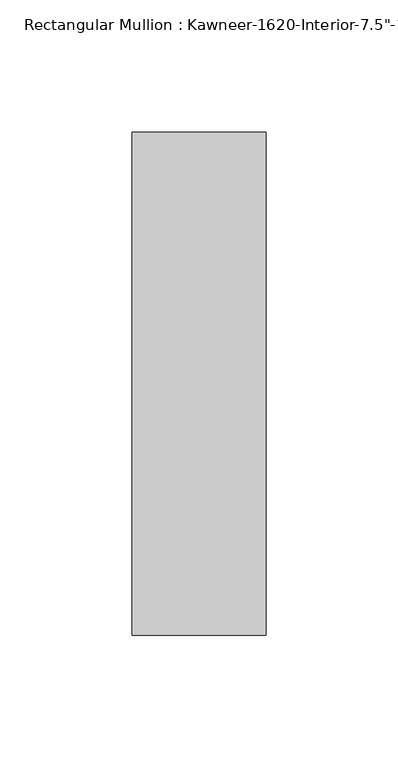
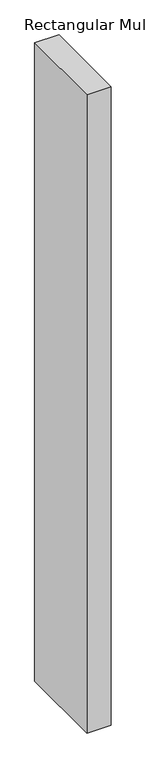
"""IFC4 building model written with IfcOpenShell, lengths in millimetres: member geometry."""

from ifc_helpers import new_model, si_unit, frame, origin, place, context, project, spatial, polyline, outline, extrude, source, transform, mapped, element, save


def member_52e9c9ca(model_context):
    return source(origin(), model_context, "Body", "SweptSolid", [
        extrude(outline(polyline([(25.4, -161.925), (-25.4, -161.925), (-25.4, 28.575), (25.4, 28.575), (25.4, -161.925)])), frame((0.0, 0.0, -1422.4), z_axis=(0.0, 0.0, 1.0), x_axis=(1.0, 0.0, 0.0)), (0.0, 0.0, 1.0), 1422.4),
    ])


if __name__ == "__main__":
    model = new_model("IFC4")
    model_context = context("Model", 3, world=origin())
    ifc_project = project(units=[si_unit("LENGTHUNIT", "METRE", prefix="MILLI")], contexts=[model_context])
    site = spatial("IfcSite", under=ifc_project)
    building = spatial("IfcBuilding", under=site)
    placement = place(None, origin())
    member_shape = member_52e9c9ca(model_context)
    element("IfcMember", 1, ObjectType="Rectangular Mullion : Kawneer-1620-Interior-7.5\"-1/4\"Infill", at=placement, inside=building, context=model_context, shape_type="MappedRepresentation", body=[
        mapped(member_shape, transform((0.0, 0.0, 0.0), x_axis=(1.0, 0.0, 0.0), y_axis=(0.0, 1.0, 0.0), z_axis=(0.0, 0.0, 1.0))),
    ])
    save(model, "model.ifc")
